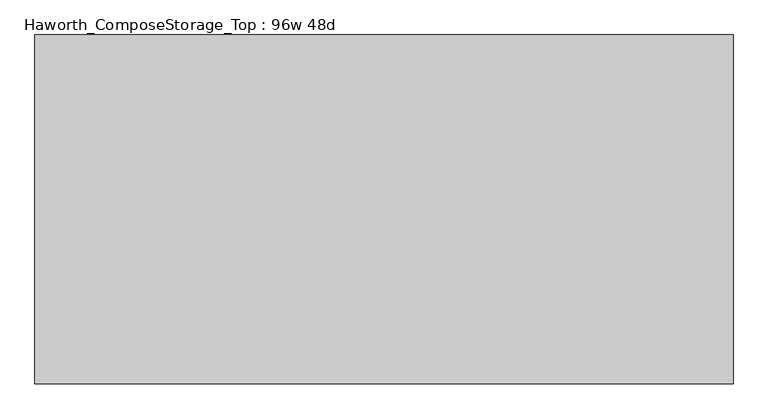
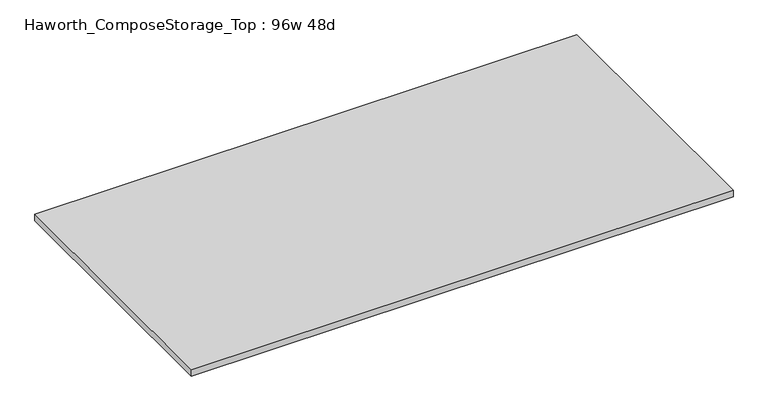
"""IFC4 building model written with IfcOpenShell, lengths in millimetres: furniture geometry, Haworth_ComposeStorage_Top : 96w 48d."""

from ifc_helpers import new_model, si_unit, frame, origin, place, context, project, spatial, polyline, outline, extrude, source, transform, mapped, element, save


def haworth_composestorage_top_96w_48d_18aefb32(model_context):
    return source(origin(), model_context, "Body", "SweptSolid", [
        extrude(outline(polyline([(1219.2, 609.6), (1219.2, -609.6), (-1219.2, -609.6), (-1219.2, 609.6), (1219.2, 609.6)])), frame((0.0, 0.0, 706.4375), z_axis=(0.0, 0.0, 1.0), x_axis=(1.0, 0.0, 0.0)), (0.0, 0.0, 1.0), 30.1625),
    ])


if __name__ == "__main__":
    model = new_model("IFC4")
    model_context = context("Model", 3, world=origin())
    ifc_project = project(units=[si_unit("LENGTHUNIT", "METRE", prefix="MILLI")], contexts=[model_context])
    site = spatial("IfcSite", under=ifc_project)
    building = spatial("IfcBuilding", under=site)
    placement = place(None, origin())
    haworth_composestorage_top_96w_48d_shape = haworth_composestorage_top_96w_48d_18aefb32(model_context)
    element("IfcFurniture", 1, ObjectType="Haworth_ComposeStorage_Top : 96w 48d", at=placement, inside=building, context=model_context, shape_type="MappedRepresentation", body=[
        mapped(haworth_composestorage_top_96w_48d_shape, transform((0.0, 0.0, 0.0), x_axis=(1.0, 0.0, 0.0), y_axis=(0.0, 1.0, 0.0), z_axis=(0.0, 0.0, 1.0))),
    ])
    save(model, "model.ifc")
